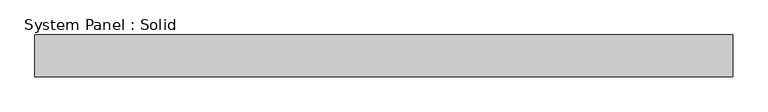
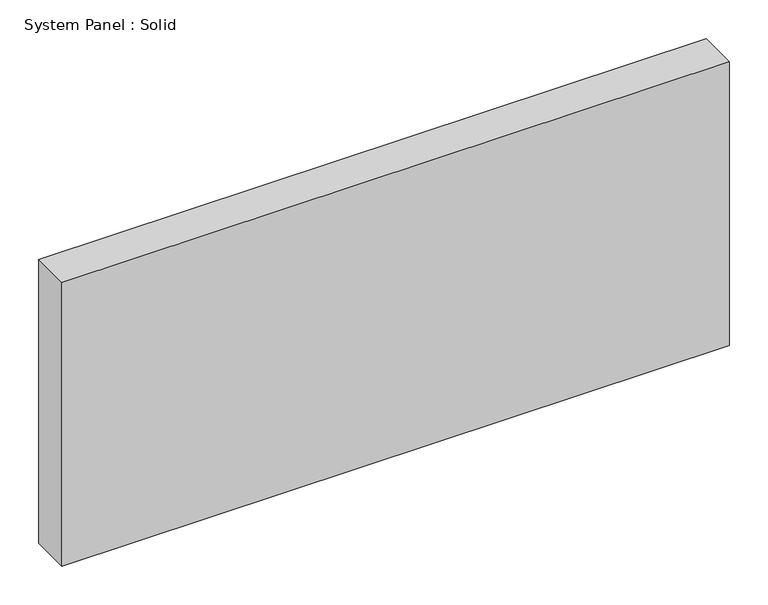
"""IFC4 building model written with IfcOpenShell, lengths in millimetres: plate geometry, System Panel : Solid."""

from ifc_helpers import new_model, si_unit, origin, origin_with_axes, place, context, project, spatial, polyline, outline, extrude, source, transform, mapped, element, save


def system_panel_solid_8fd1744f(model_context):
    return source(origin(), model_context, "Body", "SweptSolid", [
        extrude(outline(polyline([(500.0, -10.5), (-500.0, -10.5), (-500.0, 49.5), (500.0, 49.5), (500.0, -10.5)])), origin_with_axes(), (0.0, 0.0, 1.0), 450.0),
    ])


if __name__ == "__main__":
    model = new_model("IFC4")
    model_context = context("Model", 3, world=origin())
    ifc_project = project(units=[si_unit("LENGTHUNIT", "METRE", prefix="MILLI")], contexts=[model_context])
    site = spatial("IfcSite", under=ifc_project)
    building = spatial("IfcBuilding", under=site)
    placement = place(None, origin())
    system_panel_solid_shape = system_panel_solid_8fd1744f(model_context)
    element("IfcPlate", 1, ObjectType="System Panel : Solid", at=placement, inside=building, context=model_context, shape_type="MappedRepresentation", body=[
        mapped(system_panel_solid_shape, transform((0.0, 0.0, 0.0), x_axis=(1.0, 0.0, 0.0), y_axis=(0.0, 1.0, 0.0), z_axis=(0.0, 0.0, 1.0))),
    ])
    save(model, "model.ifc")
